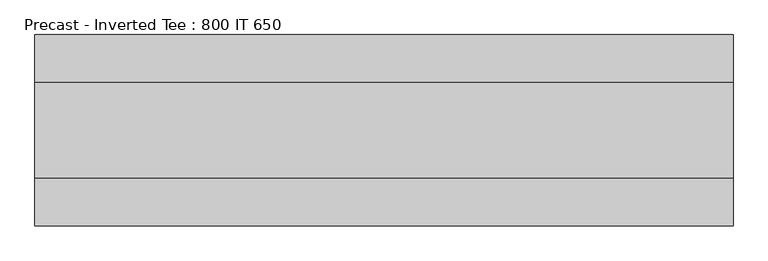
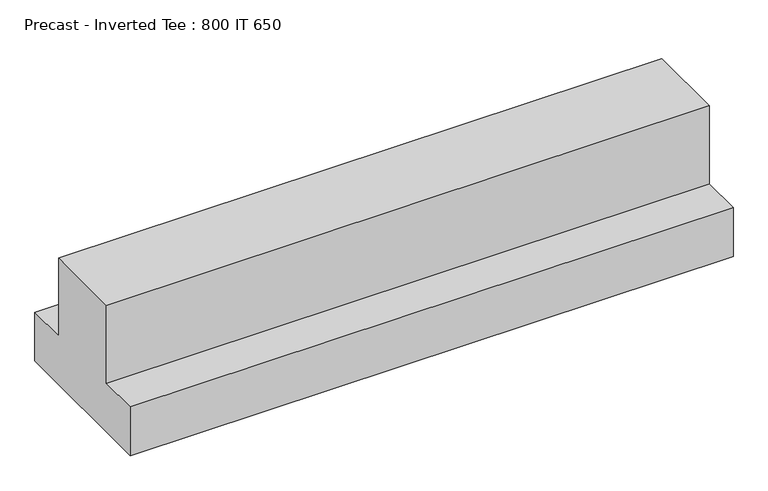
"""IFC4 building model written with IfcOpenShell, lengths in millimetres: beam geometry, Precast - Inverted Tee : 800 IT 650."""

from ifc_helpers import new_model, si_unit, frame, origin, place, context, project, spatial, polyline, outline, extrude, source, transform, mapped, element, save


def precast_inverted_tee_800_it_650_f61f715f(model_context):
    return source(origin(), model_context, "Body", "SweptSolid", [
        extrude(outline(polyline([(400.0, -325.0), (-400.0, -325.0), (-400.0, -75.0), (-200.0, -75.0), (-200.0, 325.0), (200.0, 325.0), (200.0, -75.0), (400.0, -75.0), (400.0, -325.0)])), frame((-1460.0, 0.0, 0.0), z_axis=(1.0, 0.0, 0.0), x_axis=(0.0, 1.0, 0.0)), (0.0, 0.0, 1.0), 2920.0),
    ])


if __name__ == "__main__":
    model = new_model("IFC4")
    model_context = context("Model", 3, world=origin())
    ifc_project = project(units=[si_unit("LENGTHUNIT", "METRE", prefix="MILLI")], contexts=[model_context])
    site = spatial("IfcSite", under=ifc_project)
    building = spatial("IfcBuilding", under=site)
    placement = place(None, origin())
    precast_inverted_tee_800_it_650_shape = precast_inverted_tee_800_it_650_f61f715f(model_context)
    element("IfcBeam", 1, ObjectType="Precast - Inverted Tee : 800 IT 650", at=placement, inside=building, context=model_context, shape_type="MappedRepresentation", body=[
        mapped(precast_inverted_tee_800_it_650_shape, transform((0.0, 0.0, 0.0), x_axis=(1.0, 0.0, 0.0), y_axis=(0.0, 1.0, 0.0), z_axis=(0.0, 0.0, 1.0))),
    ])
    save(model, "model.ifc")
